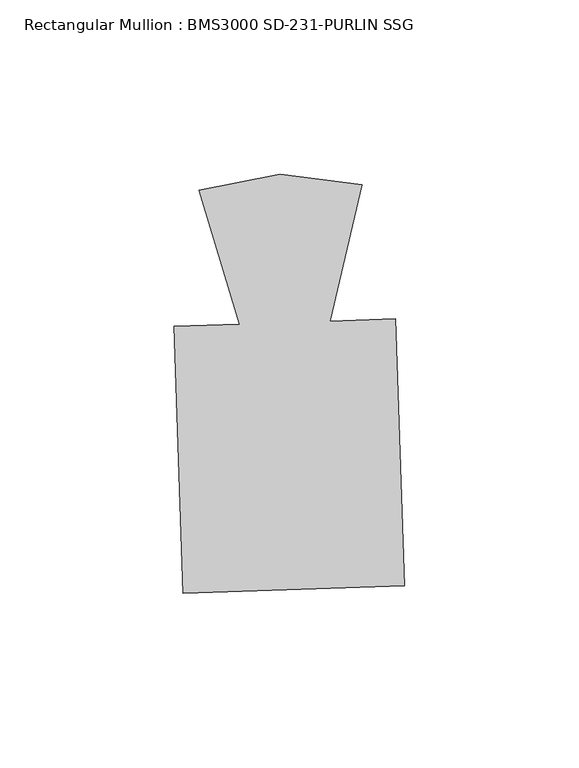
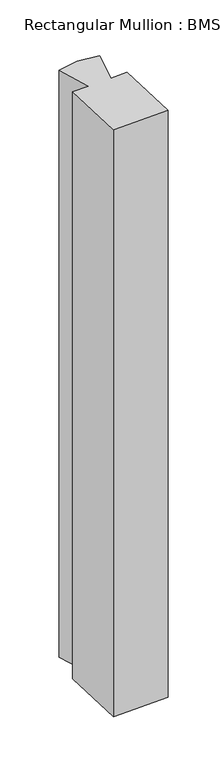
"""IFC4 building model written with IfcOpenShell, lengths in millimetres: member geometry, Rectangular Mullion : BMS3000 SD-231-PURLIN SSG."""

from ifc_helpers import new_model, si_unit, frame, origin, place, context, project, spatial, polyline, outline, extrude, source, transform, mapped, element, save


def rectangular_mullion_bms3000_sd_231_purlin_ssg_afd0b0c5(model_context):
    return source(origin(), model_context, "Body", "SweptSolid", [
        extrude(outline(polyline([(34.4381468, -82.3608969), (-29.0283962, -84.4219432), (-31.5123693, -7.9320655), (-12.7401357, -7.322446), (-24.3626947, 31.028137), (-1.1575255, 35.5448817), (22.2918004, 32.5432199), (13.1819402, -6.4806387), (31.9541738, -5.8710192), (34.4381468, -82.3608969)])), frame((0.0, 0.0, -706.3315187), z_axis=(0.0, 0.0, 1.0), x_axis=(1.0, 0.0, 0.0)), (0.0, 0.0, 1.0), 706.3315187),
    ])


if __name__ == "__main__":
    model = new_model("IFC4")
    model_context = context("Model", 3, world=origin())
    ifc_project = project(units=[si_unit("LENGTHUNIT", "METRE", prefix="MILLI")], contexts=[model_context])
    site = spatial("IfcSite", under=ifc_project)
    building = spatial("IfcBuilding", under=site)
    placement = place(None, origin())
    rectangular_mullion_bms3000_sd_231_purlin_ssg_shape = rectangular_mullion_bms3000_sd_231_purlin_ssg_afd0b0c5(model_context)
    element("IfcMember", 1, ObjectType="Rectangular Mullion : BMS3000 SD-231-PURLIN SSG", at=placement, inside=building, context=model_context, shape_type="MappedRepresentation", body=[
        mapped(rectangular_mullion_bms3000_sd_231_purlin_ssg_shape, transform((0.0, 0.0, 0.0), x_axis=(1.0, 0.0, 0.0), y_axis=(0.0, 1.0, 0.0), z_axis=(0.0, 0.0, 1.0))),
    ])
    save(model, "model.ifc")
